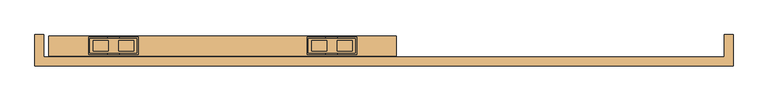
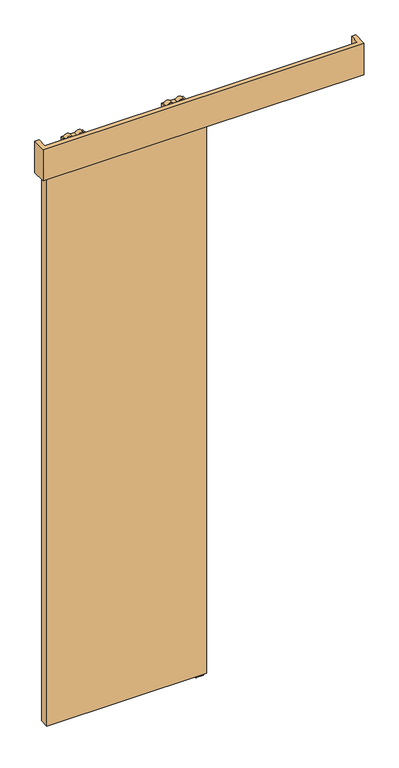
"""IFC4 building model written with IfcOpenShell, lengths in millimetres: door geometry."""

from ifc_helpers import new_model, si_unit, point, frame, frame_2d, origin, place, context, project, spatial, polyline, circle_curve, trimmed, segment, composite_curve, outline, extrude, source, transform, mapped, element, save
from ifc_brep_helpers import plane_surface, cylinder_surface, advanced_brep


def door_a7f1be47(model_context):
    return source(origin(), model_context, "Body", "SolidModel", [
        advanced_brep(
        [(-520.0, 14.2574263, 2687.3), (-520.0, -14.7425737, 2687.3), (-425.0, -14.7425737, 2687.3), (-425.0, 14.2574263, 2687.3), (-462.072332, -10.9457536, 2687.3), (-462.072332, 10.4606061, 2687.3), (-431.78306, 10.4606061, 2687.3), (-431.78306, -10.9457536, 2687.3), (-513.21694, -10.9457536, 2687.3), (-513.21694, 10.4606061, 2687.3), (-482.927668, 10.4606061, 2687.3), (-482.927668, -10.9457536, 2687.3), (-520.0, 14.2574263, 2672.3), (-425.0, 14.2574263, 2672.3), (-425.0, -14.7425737, 2672.3), (-520.0, -14.7425737, 2672.3), (-431.78306, -10.9457536, 2672.3), (-431.78306, 10.4606061, 2672.3), (-462.072332, 10.4606061, 2672.3), (-462.072332, -10.9457536, 2672.3), (-482.927668, -10.9457536, 2672.3), (-482.927668, 10.4606061, 2672.3), (-513.21694, 10.4606061, 2672.3), (-513.21694, -10.9457536, 2672.3), (-467.55, -0.5, 2672.3), (-477.45, -0.5, 2672.3), (-467.55, -0.5, 2653.8), (-477.45, -0.5, 2653.8)],
        [
            (0, 1),
            (1, 2),
            (2, 3),
            (3, 0),
            (4, 5),
            (5, 6),
            (6, 7),
            (7, 4),
            (8, 9),
            (9, 10),
            (10, 11),
            (11, 8),
            (12, 13),
            (13, 14),
            (14, 15),
            (15, 12),
            (16, 17),
            (17, 18),
            (18, 19),
            (19, 16),
            (20, 21),
            (21, 22),
            (22, 23),
            (23, 20),
            (24, 25, circle_curve(frame((-472.5, -0.5, 2672.3), z_axis=(0.0, 0.0, 1.0), x_axis=(-1.0, 0.0, 0.0)), 4.95)),
            (25, 24, circle_curve(frame((-472.5, -0.5, 2672.3), z_axis=(0.0, 0.0, 1.0), x_axis=(-1.0, 0.0, 0.0)), 4.95)),
            (3, 13),
            (12, 0),
            (2, 14),
            (1, 15),
            (7, 4, circle_curve(frame((-446.927696, -10.9457536, 2679.8), z_axis=(0.0, -1.0, 0.0), x_axis=(-1.0, 0.0, 0.0)), 16.9)),
            (19, 16, circle_curve(frame((-446.927696, -10.9457536, 2679.8), z_axis=(0.0, -1.0, 0.0), x_axis=(-1.0, 0.0, 0.0)), 16.9)),
            (5, 6, circle_curve(frame((-446.927696, 10.4606061, 2679.8), z_axis=(0.0, 1.0, 0.0), x_axis=(-1.0, 0.0, 0.0)), 16.9)),
            (17, 18, circle_curve(frame((-446.927696, 10.4606061, 2679.8), z_axis=(0.0, 1.0, 0.0), x_axis=(-1.0, 0.0, 0.0)), 16.9)),
            (11, 8, circle_curve(frame((-498.072304, -10.9457536, 2679.8), z_axis=(0.0, -1.0, 0.0), x_axis=(1.0, 0.0, 0.0)), 16.9)),
            (23, 20, circle_curve(frame((-498.072304, -10.9457536, 2679.8), z_axis=(0.0, -1.0, 0.0), x_axis=(1.0, 0.0, 0.0)), 16.9)),
            (9, 10, circle_curve(frame((-498.072304, 10.4606061, 2679.8), z_axis=(0.0, 1.0, 0.0), x_axis=(1.0, 0.0, 0.0)), 16.9)),
            (21, 22, circle_curve(frame((-498.072304, 10.4606061, 2679.8), z_axis=(0.0, 1.0, 0.0), x_axis=(1.0, 0.0, 0.0)), 16.9)),
            (26, 27, circle_curve(frame((-472.5, -0.5, 2653.8), z_axis=(0.0, 0.0, -1.0), x_axis=(-1.0, 0.0, 0.0)), 4.95)),
            (27, 26, circle_curve(frame((-472.5, -0.5, 2653.8), z_axis=(0.0, 0.0, -1.0), x_axis=(-1.0, 0.0, 0.0)), 4.95)),
            (26, 24),
            (25, 27),
        ],
        [
            plane_surface(frame((-425.0, 14.2574263, 2687.3), z_axis=(0.0, 0.0, 1.0), x_axis=(1.0, 0.0, 0.0))),
            plane_surface(frame((-425.0, 14.2574263, 2672.3), z_axis=(0.0, 0.0, -1.0), x_axis=(-1.0, 0.0, 0.0))),
            plane_surface(frame((-520.0, 14.2574263, 2687.3), z_axis=(0.0, 1.0, 0.0), x_axis=(0.0, 0.0, -1.0))),
            plane_surface(frame((-425.0, 14.2574263, 2687.3), z_axis=(1.0, 0.0, 0.0), x_axis=(0.0, 0.0, -1.0))),
            plane_surface(frame((-425.0, -14.7425737, 2687.3), z_axis=(0.0, -1.0, 0.0), x_axis=(0.0, 0.0, -1.0))),
            plane_surface(frame((-520.0, -14.7425737, 2687.3), z_axis=(-1.0, 0.0, 0.0), x_axis=(0.0, 0.0, -1.0))),
            plane_surface(frame((-463.827696, -10.9457536, 2679.8), z_axis=(0.0, -1.0, 0.0), x_axis=(0.0, 0.0, 1.0))),
            plane_surface(frame((-463.827696, 10.4606061, 2679.8), z_axis=(0.0, 1.0, 0.0), x_axis=(0.0, 0.0, -1.0))),
            cylinder_surface(frame((-446.927696, 10.4606061, 2679.8), z_axis=(0.0, -1.0, 0.0), x_axis=(-1.0, 0.0, 0.0)), 16.9),
            plane_surface(frame((-481.172304, -10.9457536, 2679.8), z_axis=(0.0, -1.0, 0.0), x_axis=(0.0, 0.0, -1.0))),
            plane_surface(frame((-481.172304, 10.4606061, 2679.8), z_axis=(0.0, 1.0, 0.0), x_axis=(0.0, 0.0, 1.0))),
            cylinder_surface(frame((-498.072304, 10.4606061, 2679.8), z_axis=(0.0, -1.0, 0.0), x_axis=(1.0, 0.0, 0.0)), 16.9),
            plane_surface(frame((-477.45, -0.5, 2653.8), z_axis=(0.0, 0.0, -1.0), x_axis=(0.0, -1.0, 0.0))),
            cylinder_surface(frame((-472.5, -0.5, 2653.8), z_axis=(0.0, 0.0, 1.0), x_axis=(-1.0, 0.0, 0.0)), 4.95),
        ],
        [
            (0, [[1, 2, 3, 4], [5, 6, 7, 8], [9, 10, 11, 12]]),
            (1, [[13, 14, 15, 16], [17, 18, 19, 20], [21, 22, 23, 24], [25, 26]]),
            (2, [[27, -13, 28, -4]]),
            (3, [[29, -14, -27, -3]]),
            (4, [[30, -15, -29, -2]]),
            (5, [[-28, -16, -30, -1]]),
            (6, [[-8, 31]]),
            (6, [[-20, 32]]),
            (7, [[-6, 33]]),
            (7, [[-18, 34]]),
            (8, [[-19, -34, -17, -32]]),
            (8, [[-7, -33, -5, -31]]),
            (9, [[-12, 35]]),
            (9, [[-24, 36]]),
            (10, [[-10, 37]]),
            (10, [[-22, 38]]),
            (11, [[-23, -38, -21, -36]]),
            (11, [[-11, -37, -9, -35]]),
            (12, [[39, 40]]),
            (13, [[41, -26, 42, -39]]),
            (13, [[-42, -25, -41, -40]]),
        ],
    ),
        extrude(outline(composite_curve([segment(trimmed(circle_curve(frame_2d((-472.5000356, -0.1875)), 12.254021), [point((-460.2460147, -0.1875))], [point((-484.7540566, -0.1875))], False, "CARTESIAN"), True, "CONTINUOUS"), segment(trimmed(circle_curve(frame_2d((-472.5000356, -0.1875)), 12.254021), [point((-484.7540566, -0.1875))], [point((-460.2460147, -0.1875))], False, "CARTESIAN"), True, "CONTINUOUS")], self_intersect=False)), frame((0.0, 0.0, 2645.0), z_axis=(0.0, 0.0, 1.0), x_axis=(1.0, 0.0, 0.0)), (0.0, 0.0, 1.0), 8.8),
        extrude(outline(polyline([(2631.0, -522.5), (2631.0, -422.5), (2634.8, -422.5), (2645.0, -460.25), (2645.0, -484.75), (2634.8, -522.5), (2631.0, -522.5)])), frame((0.0, -17.7425737, 0.0), z_axis=(0.0, 1.0, 0.0), x_axis=(0.0, 0.0, 1.0)), (0.0, 0.0, 1.0), 35.0),
        advanced_brep(
        [(15.0, 14.2574263, 2687.3), (-80.0, 14.2574263, 2687.3), (-80.0, -14.7425737, 2687.3), (15.0, -14.7425737, 2687.3), (-42.927668, -10.9457536, 2687.3), (-73.21694, -10.9457536, 2687.3), (-73.21694, 10.4606061, 2687.3), (-42.927668, 10.4606061, 2687.3), (8.21694, -10.9457536, 2687.3), (-22.072332, -10.9457536, 2687.3), (-22.072332, 10.4606061, 2687.3), (8.21694, 10.4606061, 2687.3), (15.0, 14.2574263, 2672.3), (15.0, -14.7425737, 2672.3), (-80.0, -14.7425737, 2672.3), (-80.0, 14.2574263, 2672.3), (-73.21694, -10.9457536, 2672.3), (-42.927668, -10.9457536, 2672.3), (-42.927668, 10.4606061, 2672.3), (-73.21694, 10.4606061, 2672.3), (-22.072332, -10.9457536, 2672.3), (8.21694, -10.9457536, 2672.3), (8.21694, 10.4606061, 2672.3), (-22.072332, 10.4606061, 2672.3), (-37.45, -0.5, 2672.3), (-27.55, -0.5, 2672.3), (-37.45, -0.5, 2653.8), (-27.55, -0.5, 2653.8)],
        [
            (0, 1),
            (1, 2),
            (2, 3),
            (3, 0),
            (4, 5),
            (5, 6),
            (6, 7),
            (7, 4),
            (8, 9),
            (9, 10),
            (10, 11),
            (11, 8),
            (12, 13),
            (13, 14),
            (14, 15),
            (15, 12),
            (16, 17),
            (17, 18),
            (18, 19),
            (19, 16),
            (20, 21),
            (21, 22),
            (22, 23),
            (23, 20),
            (24, 25, circle_curve(frame((-32.5, -0.5, 2672.3), z_axis=(0.0, 0.0, 1.0), x_axis=(1.0, 0.0, 0.0)), 4.95)),
            (25, 24, circle_curve(frame((-32.5, -0.5, 2672.3), z_axis=(0.0, 0.0, 1.0), x_axis=(1.0, 0.0, 0.0)), 4.95)),
            (0, 12),
            (15, 1),
            (14, 2),
            (13, 3),
            (16, 17, circle_curve(frame((-58.072304, -10.9457536, 2679.8), z_axis=(0.0, -1.0, 0.0), x_axis=(1.0, 0.0, 0.0)), 16.9)),
            (4, 5, circle_curve(frame((-58.072304, -10.9457536, 2679.8), z_axis=(0.0, -1.0, 0.0), x_axis=(1.0, 0.0, 0.0)), 16.9)),
            (6, 7, circle_curve(frame((-58.072304, 10.4606061, 2679.8), z_axis=(0.0, 1.0, 0.0), x_axis=(1.0, 0.0, 0.0)), 16.9)),
            (18, 19, circle_curve(frame((-58.072304, 10.4606061, 2679.8), z_axis=(0.0, 1.0, 0.0), x_axis=(1.0, 0.0, 0.0)), 16.9)),
            (8, 9, circle_curve(frame((-6.927696, -10.9457536, 2679.8), z_axis=(0.0, -1.0, 0.0), x_axis=(-1.0, 0.0, 0.0)), 16.9)),
            (20, 21, circle_curve(frame((-6.927696, -10.9457536, 2679.8), z_axis=(0.0, -1.0, 0.0), x_axis=(-1.0, 0.0, 0.0)), 16.9)),
            (22, 23, circle_curve(frame((-6.927696, 10.4606061, 2679.8), z_axis=(0.0, 1.0, 0.0), x_axis=(-1.0, 0.0, 0.0)), 16.9)),
            (10, 11, circle_curve(frame((-6.927696, 10.4606061, 2679.8), z_axis=(0.0, 1.0, 0.0), x_axis=(-1.0, 0.0, 0.0)), 16.9)),
            (26, 27, circle_curve(frame((-32.5, -0.5, 2653.8), z_axis=(0.0, 0.0, -1.0), x_axis=(1.0, 0.0, 0.0)), 4.95)),
            (27, 26, circle_curve(frame((-32.5, -0.5, 2653.8), z_axis=(0.0, 0.0, -1.0), x_axis=(1.0, 0.0, 0.0)), 4.95)),
            (27, 25),
            (24, 26),
        ],
        [
            plane_surface(frame((-80.0, 14.2574263, 2687.3), z_axis=(0.0, 0.0, 1.0), x_axis=(-1.0, 0.0, 0.0))),
            plane_surface(frame((-80.0, 14.2574263, 2672.3), z_axis=(0.0, 0.0, -1.0), x_axis=(1.0, 0.0, 0.0))),
            plane_surface(frame((15.0, 14.2574263, 2687.3), z_axis=(0.0, 1.0, 0.0), x_axis=(0.0, 0.0, -1.0))),
            plane_surface(frame((-80.0, 14.2574263, 2687.3), z_axis=(-1.0, 0.0, 0.0), x_axis=(0.0, 0.0, -1.0))),
            plane_surface(frame((-80.0, -14.7425737, 2687.3), z_axis=(0.0, -1.0, 0.0), x_axis=(0.0, 0.0, -1.0))),
            plane_surface(frame((15.0, -14.7425737, 2687.3), z_axis=(1.0, 0.0, 0.0), x_axis=(0.0, 0.0, -1.0))),
            plane_surface(frame((-41.172304, -10.9457536, 2679.8), z_axis=(0.0, -1.0, 0.0), x_axis=(0.0, 0.0, 1.0))),
            plane_surface(frame((-41.172304, 10.4606061, 2679.8), z_axis=(0.0, 1.0, 0.0), x_axis=(0.0, 0.0, -1.0))),
            cylinder_surface(frame((-58.072304, 10.4606061, 2679.8), z_axis=(0.0, -1.0, 0.0), x_axis=(1.0, 0.0, 0.0)), 16.9),
            plane_surface(frame((-23.827696, -10.9457536, 2679.8), z_axis=(0.0, -1.0, 0.0), x_axis=(0.0, 0.0, -1.0))),
            plane_surface(frame((-23.827696, 10.4606061, 2679.8), z_axis=(0.0, 1.0, 0.0), x_axis=(0.0, 0.0, 1.0))),
            cylinder_surface(frame((-6.927696, 10.4606061, 2679.8), z_axis=(0.0, -1.0, 0.0), x_axis=(-1.0, 0.0, 0.0)), 16.9),
            plane_surface(frame((-27.55, -0.5, 2653.8), z_axis=(0.0, 0.0, -1.0), x_axis=(0.0, -1.0, 0.0))),
            cylinder_surface(frame((-32.5, -0.5, 2653.8), z_axis=(0.0, 0.0, 1.0), x_axis=(1.0, 0.0, 0.0)), 4.95),
        ],
        [
            (0, [[1, 2, 3, 4], [5, 6, 7, 8], [9, 10, 11, 12]]),
            (1, [[13, 14, 15, 16], [17, 18, 19, 20], [21, 22, 23, 24], [25, 26]]),
            (2, [[-1, 27, -16, 28]]),
            (3, [[-2, -28, -15, 29]]),
            (4, [[-3, -29, -14, 30]]),
            (5, [[-4, -30, -13, -27]]),
            (6, [[31, -17]]),
            (6, [[32, -5]]),
            (7, [[33, -7]]),
            (7, [[34, -19]]),
            (8, [[-31, -20, -34, -18]]),
            (8, [[-32, -8, -33, -6]]),
            (9, [[35, -9]]),
            (9, [[36, -21]]),
            (10, [[37, -23]]),
            (10, [[38, -11]]),
            (11, [[-36, -24, -37, -22]]),
            (11, [[-35, -12, -38, -10]]),
            (12, [[39, 40]]),
            (13, [[-40, 41, -25, 42]]),
            (13, [[-39, -42, -26, -41]]),
        ],
    ),
        extrude(outline(composite_curve([segment(trimmed(circle_curve(frame_2d((-32.4999644, -0.1875)), 12.254021), [point((-44.7539853, -0.1875))], [point((-20.2459434, -0.1875))], False, "CARTESIAN"), True, "CONTINUOUS"), segment(trimmed(circle_curve(frame_2d((-32.4999644, -0.1875)), 12.254021), [point((-20.2459434, -0.1875))], [point((-44.7539853, -0.1875))], False, "CARTESIAN"), True, "CONTINUOUS")], self_intersect=False)), frame((0.0, 0.0, 2645.0), z_axis=(0.0, 0.0, 1.0), x_axis=(1.0, 0.0, 0.0)), (0.0, 0.0, 1.0), 8.8),
        extrude(outline(polyline([(2631.0, 17.5), (2634.8, 17.5), (2645.0, -20.25), (2645.0, -44.75), (2634.8, -82.5), (2631.0, -82.5), (2631.0, 17.5)])), frame((0.0, -17.7425737, 0.0), z_axis=(0.0, 1.0, 0.0), x_axis=(0.0, 0.0, 1.0)), (0.0, 0.0, 1.0), 35.0),
        extrude(outline(polyline([(-602.5, 19.5), (97.5, 19.5), (97.5, -20.5), (-602.5, -20.5), (-602.5, 19.5)])), frame((0.0, 0.0, 10.0), z_axis=(0.0, 0.0, 1.0), x_axis=(1.0, 0.0, 0.0)), (0.0, 0.0, 1.0), 2621.0),
        extrude(outline(polyline([(-630.5, 22.0), (-612.5, 22.0), (-612.5, -23.0), (757.5, -23.0), (757.5, 22.0), (775.5, 22.0), (775.5, -41.0), (-630.5, -41.0), (-630.5, 22.0)])), frame((0.0, 0.0, 2555.0), z_axis=(0.0, 0.0, 1.0), x_axis=(1.0, 0.0, 0.0)), (0.0, 0.0, 1.0), 145.0),
        extrude(outline(polyline([(15.3483682, 2.0), (15.3483682, 0.0), (-14.5, 0.0), (-14.5, 2.0), (-2.6516318, 2.0), (-2.6516318, 26.0), (1.6516318, 26.0), (1.6516318, 2.0), (15.3483682, 2.0)])), frame((52.5, 0.0, 0.0), z_axis=(1.0, 0.0, 0.0), x_axis=(0.0, 1.0, 0.0)), (0.0, 0.0, 1.0), 35.0),
    ])


if __name__ == "__main__":
    model = new_model("IFC4")
    model_context = context("Model", 3, world=origin())
    ifc_project = project(units=[si_unit("LENGTHUNIT", "METRE", prefix="MILLI")], contexts=[model_context])
    site = spatial("IfcSite", under=ifc_project)
    building = spatial("IfcBuilding", under=site)
    placement = place(None, origin())
    door_shape = door_a7f1be47(model_context)
    element("IfcDoor", 1, at=placement, inside=building, context=model_context, shape_type="MappedRepresentation", body=[
        mapped(door_shape, transform((0.0, 0.0, 0.0), x_axis=(1.0, 0.0, 0.0), y_axis=(0.0, 1.0, 0.0), z_axis=(0.0, 0.0, 1.0))),
    ])
    save(model, "model.ifc")
